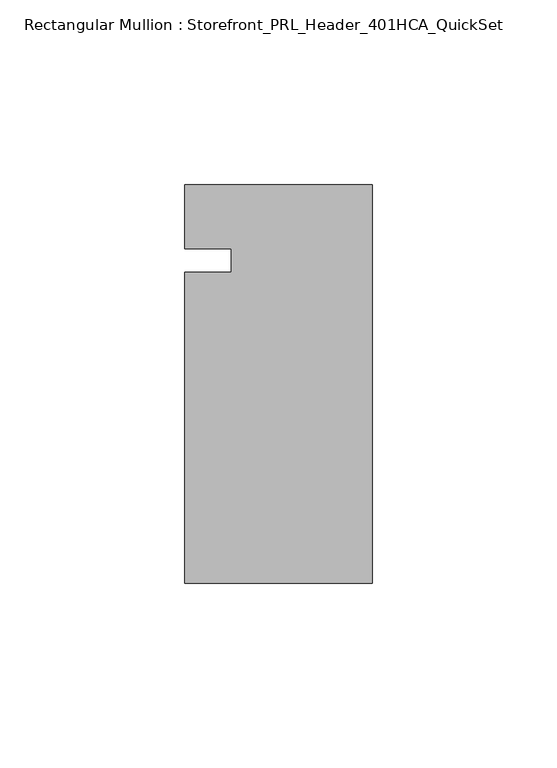
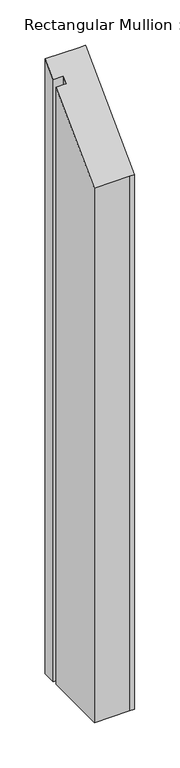
"""IFC4 building model written with IfcOpenShell, lengths in millimetres: member geometry, Rectangular Mullion : Storefront_PRL_Header_401HCA_QuickSet."""

from ifc_helpers import new_model, si_unit, origin, place, context, project, spatial, faceted_brep, source, transform, mapped, element, save


def rectangular_mullion_storefront_prl_header_401hca_quickset_59d69f76(model_context):
    return source(origin(), model_context, "Body", "Brep", [
        faceted_brep([(-38.1, -3.175, -804.3333333), (-38.1, 3.175, -804.3333333), (-50.8, 3.175, -804.3333333), (-50.8, 20.6375, -804.3333333), (-7.7254924, 20.6375, -804.3333333), (0.0, 20.6375, -804.3333333), (0.0, -87.3125, -804.3333333), (-6.35, -87.3125, -804.3333333), (-50.8, -87.3125, -804.3333333), (-50.8, -3.175, -804.3333333), (-50.8, -3.175, -3.175), (-38.1, -3.175, -3.175), (-50.8, -87.3125, -87.3125), (-6.35, -87.3125, -87.3125), (0.0, -87.3125, -87.3125), (0.0, 20.6375, 20.6375), (-7.7254924, 20.6375, 20.6375), (-50.8, 20.6375, 20.6375), (-50.8, 3.175, 3.175), (-38.1, 3.175, 3.175)], [[[0, 1, 2, 3, 4, 5, 6, 7, 8, 9]], [[10, 11, 0, 9]], [[12, 10, 9, 8]], [[13, 12, 8, 7]], [[14, 13, 7, 6]], [[15, 14, 6, 5]], [[16, 15, 5, 4]], [[17, 16, 4, 3]], [[18, 17, 3, 2]], [[19, 18, 2, 1]], [[11, 19, 1, 0]], [[11, 10, 12, 13, 14, 15, 16, 17, 18, 19]]]),
    ])


if __name__ == "__main__":
    model = new_model("IFC4")
    model_context = context("Model", 3, world=origin())
    ifc_project = project(units=[si_unit("LENGTHUNIT", "METRE", prefix="MILLI")], contexts=[model_context])
    site = spatial("IfcSite", under=ifc_project)
    building = spatial("IfcBuilding", under=site)
    placement = place(None, origin())
    rectangular_mullion_storefront_prl_header_401hca_quickset_shape = rectangular_mullion_storefront_prl_header_401hca_quickset_59d69f76(model_context)
    element("IfcMember", 1, ObjectType="Rectangular Mullion : Storefront_PRL_Header_401HCA_QuickSet", at=placement, inside=building, context=model_context, shape_type="MappedRepresentation", body=[
        mapped(rectangular_mullion_storefront_prl_header_401hca_quickset_shape, transform((0.0, 0.0, 0.0), x_axis=(1.0, 0.0, 0.0), y_axis=(0.0, 1.0, 0.0), z_axis=(0.0, 0.0, 1.0))),
    ])
    save(model, "model.ifc")
